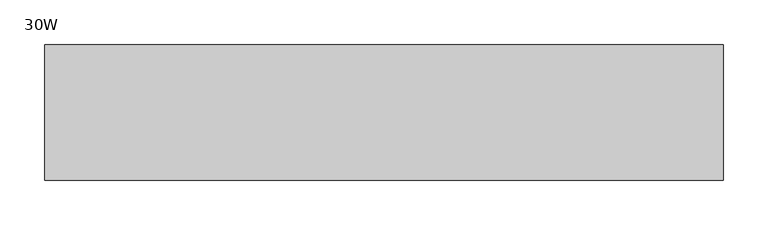
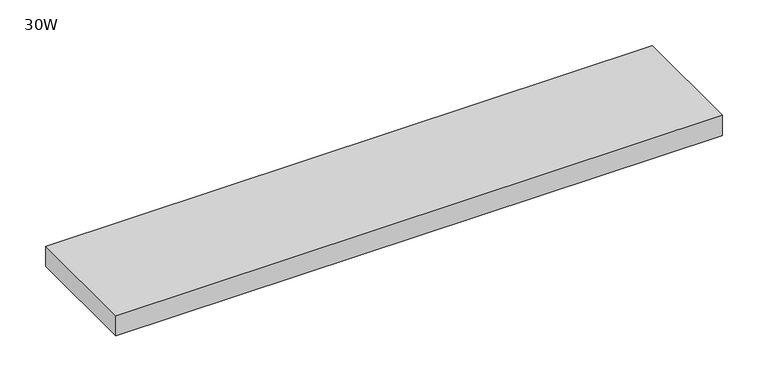
"""IFC4 building model written with IfcOpenShell, lengths in millimetres: furniture geometry, 30W."""

from ifc_helpers import new_model, si_unit, frame, origin, place, context, project, spatial, polyline, outline, extrude, source, transform, mapped, element, save


def furniture_30w_e795faca(model_context):
    return source(origin(), model_context, "Body", "SweptSolid", [
        extrude(outline(polyline([(762.0, 0.0), (762.0, -152.4), (0.0, -152.4), (0.0, 0.0), (762.0, 0.0)])), frame((0.0, 0.0, 273.05), z_axis=(0.0, 0.0, 1.0), x_axis=(1.0, 0.0, 0.0)), (0.0, 0.0, 1.0), 26.924),
    ])


if __name__ == "__main__":
    model = new_model("IFC4")
    model_context = context("Model", 3, world=origin())
    ifc_project = project(units=[si_unit("LENGTHUNIT", "METRE", prefix="MILLI")], contexts=[model_context])
    site = spatial("IfcSite", under=ifc_project)
    building = spatial("IfcBuilding", under=site)
    placement = place(None, origin())
    furniture_30w_shape = furniture_30w_e795faca(model_context)
    element("IfcFurniture", 1, ObjectType="30W", at=placement, inside=building, context=model_context, shape_type="MappedRepresentation", body=[
        mapped(furniture_30w_shape, transform((0.0, 0.0, 0.0), x_axis=(1.0, 0.0, 0.0), y_axis=(0.0, 1.0, 0.0), z_axis=(0.0, 0.0, 1.0))),
    ])
    save(model, "model.ifc")
